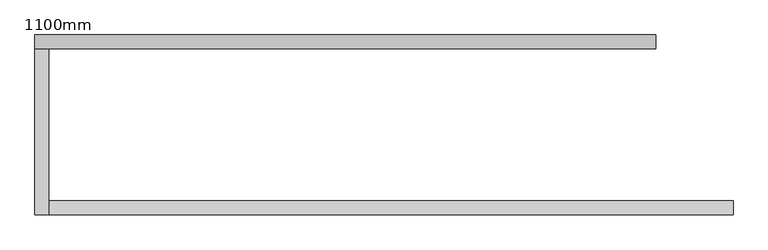
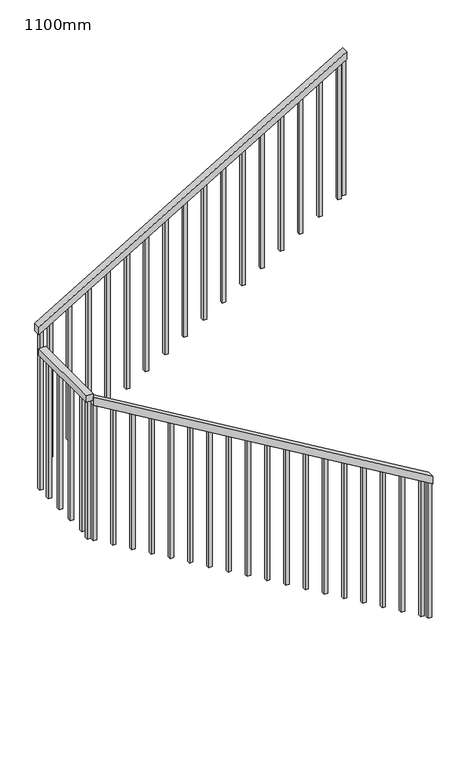
"""IFC4 building model written with IfcOpenShell, lengths in millimetres: railing geometry, 1100mm."""

from ifc_helpers import new_model, si_unit, frame, origin, place, context, project, spatial, polyline, outline, extrude, source, transform, mapped, element, save


def railing_1100mm_053c4ea1(model_context):
    return source(origin(), model_context, "Body", "SweptSolid", [
        extrude(outline(polyline([(14208.4792885, 2457.6359883), (14266.6666667, 2457.6359883), (15736.9047619, -12.3640117), (15678.7173838, -12.3640117), (14208.4792885, 2457.6359883)])), frame((0.0, 32334.0312544, 0.0), z_axis=(0.0, 1.0, 0.0), x_axis=(0.0, 0.0, 1.0)), (0.0, 0.0, 1.0), 50.0),
        extrude(outline(polyline([(-12.3640117, 32334.0312544), (-62.3640117, 32334.0312544), (-62.3640117, 32932.429968), (-12.3640117, 32932.429968), (-12.3640117, 32334.0312544)])), frame((0.0, 0.0, 15716.6666667), z_axis=(0.0, 0.0, 1.0), x_axis=(1.0, 0.0, 0.0)), (0.0, 0.0, 1.0), 50.0),
        extrude(outline(polyline([(15933.3333333, -62.3640117), (15875.1459552, -62.3640117), (17208.4792885, 2177.6359883), (17266.6666667, 2177.6359883), (15933.3333333, -62.3640117)])), frame((0.0, 32932.429968, 0.0), z_axis=(0.0, 1.0, 0.0), x_axis=(0.0, 0.0, 1.0)), (0.0, 0.0, 1.0), 50.0),
        extrude(outline(polyline([(17174.253098, 2120.1359883), (16139.8809524, 2120.1359883), (16139.8809524, 2145.1359883), (17189.1340504, 2145.1359883), (17174.253098, 2120.1359883)])), frame((0.0, 32944.929968, 0.0), z_axis=(0.0, 1.0, 0.0), x_axis=(0.0, 0.0, 1.0)), (0.0, 0.0, 1.0), 25.0),
        extrude(outline(polyline([(17090.9197647, 1980.1359883), (16056.547619, 1980.1359883), (16056.547619, 2005.1359883), (17105.8007171, 2005.1359883), (17090.9197647, 1980.1359883)])), frame((0.0, 32944.929968, 0.0), z_axis=(0.0, 1.0, 0.0), x_axis=(0.0, 0.0, 1.0)), (0.0, 0.0, 1.0), 25.0),
        extrude(outline(polyline([(17007.5864314, 1840.1359883), (15973.2142857, 1840.1359883), (15973.2142857, 1865.1359883), (17022.4673838, 1865.1359883), (17007.5864314, 1840.1359883)])), frame((0.0, 32944.929968, 0.0), z_axis=(0.0, 1.0, 0.0), x_axis=(0.0, 0.0, 1.0)), (0.0, 0.0, 1.0), 25.0),
        extrude(outline(polyline([(16924.253098, 1700.1359883), (15889.8809524, 1700.1359883), (15889.8809524, 1725.1359883), (16939.1340504, 1725.1359883), (16924.253098, 1700.1359883)])), frame((0.0, 32944.929968, 0.0), z_axis=(0.0, 1.0, 0.0), x_axis=(0.0, 0.0, 1.0)), (0.0, 0.0, 1.0), 25.0),
        extrude(outline(polyline([(16840.9197647, 1560.1359883), (15806.547619, 1560.1359883), (15806.547619, 1585.1359883), (16855.8007171, 1585.1359883), (16840.9197647, 1560.1359883)])), frame((0.0, 32944.929968, 0.0), z_axis=(0.0, 1.0, 0.0), x_axis=(0.0, 0.0, 1.0)), (0.0, 0.0, 1.0), 25.0),
        extrude(outline(polyline([(16757.5864314, 1420.1359883), (15723.2142857, 1420.1359883), (15723.2142857, 1445.1359883), (16772.4673838, 1445.1359883), (16757.5864314, 1420.1359883)])), frame((0.0, 32944.929968, 0.0), z_axis=(0.0, 1.0, 0.0), x_axis=(0.0, 0.0, 1.0)), (0.0, 0.0, 1.0), 25.0),
        extrude(outline(polyline([(16674.253098, 1280.1359883), (15639.8809524, 1280.1359883), (15639.8809524, 1305.1359883), (16689.1340504, 1305.1359883), (16674.253098, 1280.1359883)])), frame((0.0, 32944.929968, 0.0), z_axis=(0.0, 1.0, 0.0), x_axis=(0.0, 0.0, 1.0)), (0.0, 0.0, 1.0), 25.0),
        extrude(outline(polyline([(16590.9197647, 1140.1359883), (15556.547619, 1140.1359883), (15556.547619, 1165.1359883), (16605.8007171, 1165.1359883), (16590.9197647, 1140.1359883)])), frame((0.0, 32944.929968, 0.0), z_axis=(0.0, 1.0, 0.0), x_axis=(0.0, 0.0, 1.0)), (0.0, 0.0, 1.0), 25.0),
        extrude(outline(polyline([(16507.5864314, 1000.1359883), (15473.2142857, 1000.1359883), (15473.2142857, 1025.1359883), (16522.4673838, 1025.1359883), (16507.5864314, 1000.1359883)])), frame((0.0, 32944.929968, 0.0), z_axis=(0.0, 1.0, 0.0), x_axis=(0.0, 0.0, 1.0)), (0.0, 0.0, 1.0), 25.0),
        extrude(outline(polyline([(16424.253098, 860.1359883), (15389.8809524, 860.1359883), (15389.8809524, 885.1359883), (16439.1340504, 885.1359883), (16424.253098, 860.1359883)])), frame((0.0, 32944.929968, 0.0), z_axis=(0.0, 1.0, 0.0), x_axis=(0.0, 0.0, 1.0)), (0.0, 0.0, 1.0), 25.0),
        extrude(outline(polyline([(16340.9197647, 720.1359883), (15306.547619, 720.1359883), (15306.547619, 745.1359883), (16355.8007171, 745.1359883), (16340.9197647, 720.1359883)])), frame((0.0, 32944.929968, 0.0), z_axis=(0.0, 1.0, 0.0), x_axis=(0.0, 0.0, 1.0)), (0.0, 0.0, 1.0), 25.0),
        extrude(outline(polyline([(16257.5864314, 580.1359883), (15223.2142857, 580.1359883), (15223.2142857, 605.1359883), (16272.4673838, 605.1359883), (16257.5864314, 580.1359883)])), frame((0.0, 32944.929968, 0.0), z_axis=(0.0, 1.0, 0.0), x_axis=(0.0, 0.0, 1.0)), (0.0, 0.0, 1.0), 25.0),
        extrude(outline(polyline([(16174.253098, 440.1359883), (15139.8809524, 440.1359883), (15139.8809524, 465.1359883), (16189.1340504, 465.1359883), (16174.253098, 440.1359883)])), frame((0.0, 32944.929968, 0.0), z_axis=(0.0, 1.0, 0.0), x_axis=(0.0, 0.0, 1.0)), (0.0, 0.0, 1.0), 25.0),
        extrude(outline(polyline([(16090.9197647, 300.1359883), (15056.547619, 300.1359883), (15056.547619, 325.1359883), (16105.8007171, 325.1359883), (16090.9197647, 300.1359883)])), frame((0.0, 32944.929968, 0.0), z_axis=(0.0, 1.0, 0.0), x_axis=(0.0, 0.0, 1.0)), (0.0, 0.0, 1.0), 25.0),
        extrude(outline(polyline([(16007.5864314, 160.1359883), (14973.2142857, 160.1359883), (14973.2142857, 185.1359883), (16022.4673838, 185.1359883), (16007.5864314, 160.1359883)])), frame((0.0, 32944.929968, 0.0), z_axis=(0.0, 1.0, 0.0), x_axis=(0.0, 0.0, 1.0)), (0.0, 0.0, 1.0), 25.0),
        extrude(outline(polyline([(15924.253098, 20.1359883), (14889.8809524, 20.1359883), (14889.8809524, 45.1359883), (15939.1340504, 45.1359883), (15924.253098, 20.1359883)])), frame((0.0, 32944.929968, 0.0), z_axis=(0.0, 1.0, 0.0), x_axis=(0.0, 0.0, 1.0)), (0.0, 0.0, 1.0), 25.0),
        extrude(outline(polyline([(-24.8640117, 32836.5312544), (-49.8640117, 32836.5312544), (-49.8640117, 32861.5312544), (-24.8640117, 32861.5312544), (-24.8640117, 32836.5312544)])), frame((0.0, 0.0, 14666.6666667), z_axis=(0.0, 0.0, 1.0), x_axis=(1.0, 0.0, 0.0)), (0.0, 0.0, 1.0), 1050.0),
        extrude(outline(polyline([(-24.8640117, 32696.5312544), (-49.8640117, 32696.5312544), (-49.8640117, 32721.5312544), (-24.8640117, 32721.5312544), (-24.8640117, 32696.5312544)])), frame((0.0, 0.0, 14666.6666667), z_axis=(0.0, 0.0, 1.0), x_axis=(1.0, 0.0, 0.0)), (0.0, 0.0, 1.0), 1050.0),
        extrude(outline(polyline([(-24.8640117, 32556.5312544), (-49.8640117, 32556.5312544), (-49.8640117, 32581.5312544), (-24.8640117, 32581.5312544), (-24.8640117, 32556.5312544)])), frame((0.0, 0.0, 14666.6666667), z_axis=(0.0, 0.0, 1.0), x_axis=(1.0, 0.0, 0.0)), (0.0, 0.0, 1.0), 1050.0),
        extrude(outline(polyline([(-24.8640117, 32416.5312544), (-49.8640117, 32416.5312544), (-49.8640117, 32441.5312544), (-24.8640117, 32441.5312544), (-24.8640117, 32416.5312544)])), frame((0.0, 0.0, 14666.6666667), z_axis=(0.0, 0.0, 1.0), x_axis=(1.0, 0.0, 0.0)), (0.0, 0.0, 1.0), 1050.0),
        extrude(outline(polyline([(14625.0, 20.1359883), (15659.3721457, 20.1359883), (15674.253098, -4.8640117), (14625.0, -4.8640117), (14625.0, 20.1359883)])), frame((0.0, 32346.5312544, 0.0), z_axis=(0.0, 1.0, 0.0), x_axis=(0.0, 0.0, 1.0)), (0.0, 0.0, 1.0), 25.0),
        extrude(outline(polyline([(14541.6666667, 160.1359883), (15576.0388123, 160.1359883), (15590.9197647, 135.1359883), (14541.6666667, 135.1359883), (14541.6666667, 160.1359883)])), frame((0.0, 32346.5312544, 0.0), z_axis=(0.0, 1.0, 0.0), x_axis=(0.0, 0.0, 1.0)), (0.0, 0.0, 1.0), 25.0),
        extrude(outline(polyline([(14458.3333333, 300.1359883), (15492.705479, 300.1359883), (15507.5864314, 275.1359883), (14458.3333333, 275.1359883), (14458.3333333, 300.1359883)])), frame((0.0, 32346.5312544, 0.0), z_axis=(0.0, 1.0, 0.0), x_axis=(0.0, 0.0, 1.0)), (0.0, 0.0, 1.0), 25.0),
        extrude(outline(polyline([(14375.0, 440.1359883), (15409.3721457, 440.1359883), (15424.253098, 415.1359883), (14375.0, 415.1359883), (14375.0, 440.1359883)])), frame((0.0, 32346.5312544, 0.0), z_axis=(0.0, 1.0, 0.0), x_axis=(0.0, 0.0, 1.0)), (0.0, 0.0, 1.0), 25.0),
        extrude(outline(polyline([(14291.6666667, 580.1359883), (15326.0388123, 580.1359883), (15340.9197647, 555.1359883), (14291.6666667, 555.1359883), (14291.6666667, 580.1359883)])), frame((0.0, 32346.5312544, 0.0), z_axis=(0.0, 1.0, 0.0), x_axis=(0.0, 0.0, 1.0)), (0.0, 0.0, 1.0), 25.0),
        extrude(outline(polyline([(14208.3333333, 720.1359883), (15242.705479, 720.1359883), (15257.5864314, 695.1359883), (14208.3333333, 695.1359883), (14208.3333333, 720.1359883)])), frame((0.0, 32346.5312544, 0.0), z_axis=(0.0, 1.0, 0.0), x_axis=(0.0, 0.0, 1.0)), (0.0, 0.0, 1.0), 25.0),
        extrude(outline(polyline([(14125.0, 860.1359883), (15159.3721457, 860.1359883), (15174.253098, 835.1359883), (14125.0, 835.1359883), (14125.0, 860.1359883)])), frame((0.0, 32346.5312544, 0.0), z_axis=(0.0, 1.0, 0.0), x_axis=(0.0, 0.0, 1.0)), (0.0, 0.0, 1.0), 25.0),
        extrude(outline(polyline([(14041.6666667, 1000.1359883), (15076.0388123, 1000.1359883), (15090.9197647, 975.1359883), (14041.6666667, 975.1359883), (14041.6666667, 1000.1359883)])), frame((0.0, 32346.5312544, 0.0), z_axis=(0.0, 1.0, 0.0), x_axis=(0.0, 0.0, 1.0)), (0.0, 0.0, 1.0), 25.0),
        extrude(outline(polyline([(13958.3333333, 1140.1359883), (14992.705479, 1140.1359883), (15007.5864314, 1115.1359883), (13958.3333333, 1115.1359883), (13958.3333333, 1140.1359883)])), frame((0.0, 32346.5312544, 0.0), z_axis=(0.0, 1.0, 0.0), x_axis=(0.0, 0.0, 1.0)), (0.0, 0.0, 1.0), 25.0),
        extrude(outline(polyline([(13875.0, 1280.1359883), (14909.3721457, 1280.1359883), (14924.253098, 1255.1359883), (13875.0, 1255.1359883), (13875.0, 1280.1359883)])), frame((0.0, 32346.5312544, 0.0), z_axis=(0.0, 1.0, 0.0), x_axis=(0.0, 0.0, 1.0)), (0.0, 0.0, 1.0), 25.0),
        extrude(outline(polyline([(13791.6666667, 1420.1359883), (14826.0388123, 1420.1359883), (14840.9197647, 1395.1359883), (13791.6666667, 1395.1359883), (13791.6666667, 1420.1359883)])), frame((0.0, 32346.5312544, 0.0), z_axis=(0.0, 1.0, 0.0), x_axis=(0.0, 0.0, 1.0)), (0.0, 0.0, 1.0), 25.0),
        extrude(outline(polyline([(13708.3333333, 1560.1359883), (14742.705479, 1560.1359883), (14757.5864314, 1535.1359883), (13708.3333333, 1535.1359883), (13708.3333333, 1560.1359883)])), frame((0.0, 32346.5312544, 0.0), z_axis=(0.0, 1.0, 0.0), x_axis=(0.0, 0.0, 1.0)), (0.0, 0.0, 1.0), 25.0),
        extrude(outline(polyline([(13625.0, 1700.1359883), (14659.3721457, 1700.1359883), (14674.253098, 1675.1359883), (13625.0, 1675.1359883), (13625.0, 1700.1359883)])), frame((0.0, 32346.5312544, 0.0), z_axis=(0.0, 1.0, 0.0), x_axis=(0.0, 0.0, 1.0)), (0.0, 0.0, 1.0), 25.0),
        extrude(outline(polyline([(13541.6666667, 1840.1359883), (14576.0388123, 1840.1359883), (14590.9197647, 1815.1359883), (13541.6666667, 1815.1359883), (13541.6666667, 1840.1359883)])), frame((0.0, 32346.5312544, 0.0), z_axis=(0.0, 1.0, 0.0), x_axis=(0.0, 0.0, 1.0)), (0.0, 0.0, 1.0), 25.0),
        extrude(outline(polyline([(13458.3333333, 1980.1359883), (14492.705479, 1980.1359883), (14507.5864314, 1955.1359883), (13458.3333333, 1955.1359883), (13458.3333333, 1980.1359883)])), frame((0.0, 32346.5312544, 0.0), z_axis=(0.0, 1.0, 0.0), x_axis=(0.0, 0.0, 1.0)), (0.0, 0.0, 1.0), 25.0),
        extrude(outline(polyline([(13375.0, 2120.1359883), (14409.3721457, 2120.1359883), (14424.253098, 2095.1359883), (13375.0, 2095.1359883), (13375.0, 2120.1359883)])), frame((0.0, 32346.5312544, 0.0), z_axis=(0.0, 1.0, 0.0), x_axis=(0.0, 0.0, 1.0)), (0.0, 0.0, 1.0), 25.0),
        extrude(outline(polyline([(13291.6666667, 2260.1359883), (14326.0388123, 2260.1359883), (14340.9197647, 2235.1359883), (13291.6666667, 2235.1359883), (13291.6666667, 2260.1359883)])), frame((0.0, 32346.5312544, 0.0), z_axis=(0.0, 1.0, 0.0), x_axis=(0.0, 0.0, 1.0)), (0.0, 0.0, 1.0), 25.0),
        extrude(outline(polyline([(13208.3333333, 2400.1359883), (14242.705479, 2400.1359883), (14257.5864314, 2375.1359883), (13208.3333333, 2375.1359883), (13208.3333333, 2400.1359883)])), frame((0.0, 32346.5312544, 0.0), z_axis=(0.0, 1.0, 0.0), x_axis=(0.0, 0.0, 1.0)), (0.0, 0.0, 1.0), 25.0),
        extrude(outline(polyline([(15882.5864314, -49.8640117), (14666.6666667, -49.8640117), (14666.6666667, -24.8640117), (15897.4673838, -24.8640117), (15882.5864314, -49.8640117)])), frame((0.0, 32944.929968, 0.0), z_axis=(0.0, 1.0, 0.0), x_axis=(0.0, 0.0, 1.0)), (0.0, 0.0, 1.0), 25.0),
        extrude(outline(polyline([(-24.8640117, 32346.5312544), (-49.8640117, 32346.5312544), (-49.8640117, 32371.5312544), (-24.8640117, 32371.5312544), (-24.8640117, 32346.5312544)])), frame((0.0, 0.0, 14651.7857143), z_axis=(0.0, 0.0, 1.0), x_axis=(1.0, 0.0, 0.0)), (0.0, 0.0, 1.0), 1064.8809524),
        extrude(outline(polyline([(17193.5983361, 2152.6359883), (16159.2261905, 2152.6359883), (16159.2261905, 2177.6359883), (17208.4792885, 2177.6359883), (17193.5983361, 2152.6359883)])), frame((0.0, 32944.929968, 0.0), z_axis=(0.0, 1.0, 0.0), x_axis=(0.0, 0.0, 1.0)), (0.0, 0.0, 1.0), 25.0),
        extrude(outline(polyline([(13174.1071429, 2457.6359883), (14208.4792885, 2457.6359883), (14223.3602409, 2432.6359883), (13174.1071429, 2432.6359883), (13174.1071429, 2457.6359883)])), frame((0.0, 32346.5312544, 0.0), z_axis=(0.0, 1.0, 0.0), x_axis=(0.0, 0.0, 1.0)), (0.0, 0.0, 1.0), 25.0),
    ])


if __name__ == "__main__":
    model = new_model("IFC4")
    model_context = context("Model", 3, world=origin())
    ifc_project = project(units=[si_unit("LENGTHUNIT", "METRE", prefix="MILLI")], contexts=[model_context])
    site = spatial("IfcSite", under=ifc_project)
    building = spatial("IfcBuilding", under=site)
    placement = place(None, origin())
    railing_1100mm_shape = railing_1100mm_053c4ea1(model_context)
    element("IfcRailing", 1, ObjectType="1100mm", at=placement, inside=building, context=model_context, shape_type="MappedRepresentation", body=[
        mapped(railing_1100mm_shape, transform((0.0, 0.0, 0.0), x_axis=(1.0, 0.0, 0.0), y_axis=(0.0, 1.0, 0.0), z_axis=(0.0, 0.0, 1.0))),
    ])
    save(model, "model.ifc")
